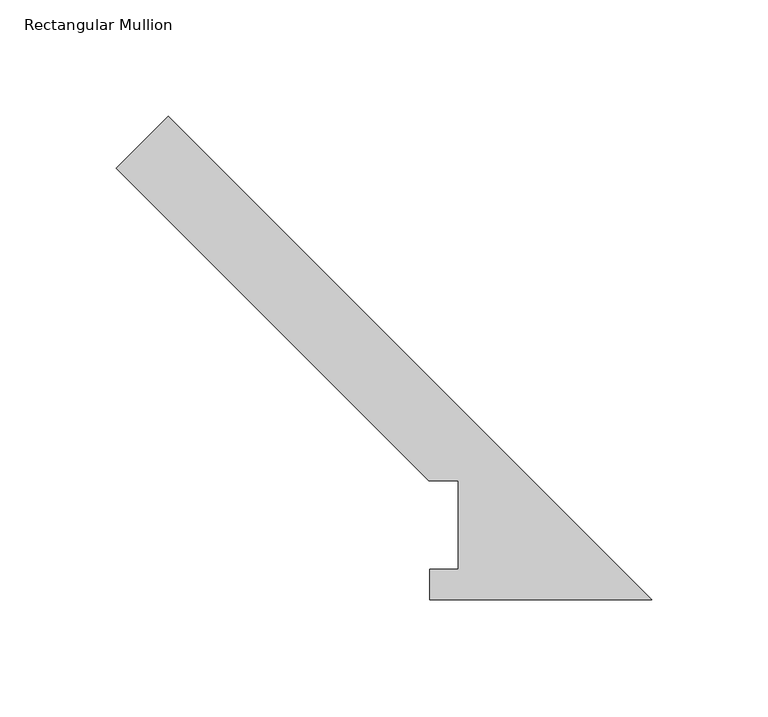
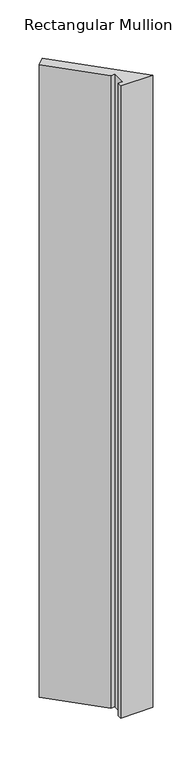
"""IFC4 building model written with IfcOpenShell, lengths in millimetres: member geometry, Rectangular Mullion."""

from ifc_helpers import new_model, si_unit, frame, origin, place, context, project, spatial, polyline, outline, extrude, source, transform, mapped, element, save


def rectangular_mullion_c9f1681d(model_context):
    return source(origin(), model_context, "Body", "SweptSolid", [
        extrude(outline(polyline([(-208.4332415, 208.4505759), (0.0, 0.0173344), (-95.7961125, 0.0173344), (-95.7961125, 13.1903275), (-83.48004, 13.1903275), (-83.48004, 51.2960937), (-96.18004, 51.2960937), (-230.8838818, 185.9999356), (-208.4332415, 208.4505759)])), frame((0.0, 0.0, -1993.8999999), z_axis=(0.0, 0.0, 1.0), x_axis=(1.0, 0.0, 0.0)), (0.0, 0.0, 1.0), 1993.8999999),
    ])


if __name__ == "__main__":
    model = new_model("IFC4")
    model_context = context("Model", 3, world=origin())
    ifc_project = project(units=[si_unit("LENGTHUNIT", "METRE", prefix="MILLI")], contexts=[model_context])
    site = spatial("IfcSite", under=ifc_project)
    building = spatial("IfcBuilding", under=site)
    placement = place(None, origin())
    rectangular_mullion_shape = rectangular_mullion_c9f1681d(model_context)
    element("IfcMember", 1, ObjectType="Rectangular Mullion", at=placement, inside=building, context=model_context, shape_type="MappedRepresentation", body=[
        mapped(rectangular_mullion_shape, transform((0.0, 0.0, 0.0), x_axis=(1.0, 0.0, 0.0), y_axis=(0.0, 1.0, 0.0), z_axis=(0.0, 0.0, 1.0))),
    ])
    save(model, "model.ifc")
